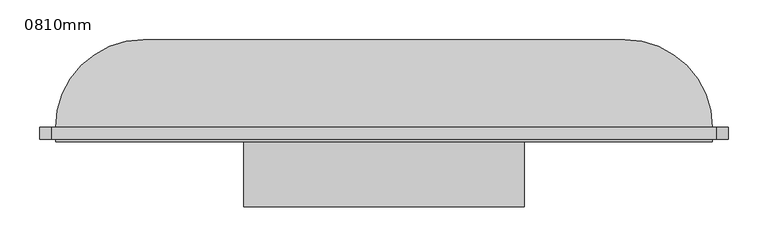
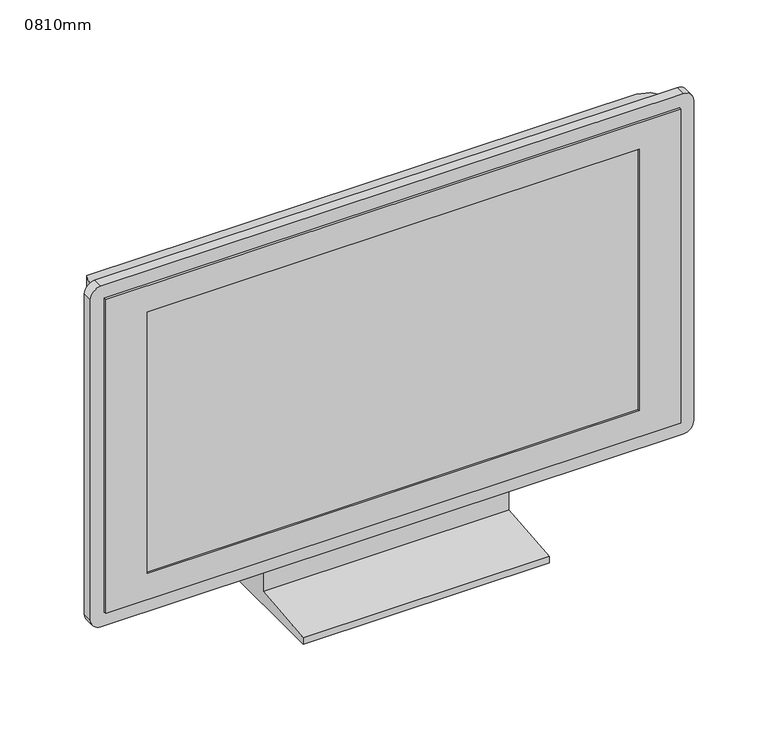
"""IFC4 building model written with IfcOpenShell, lengths in millimetres: furniture geometry, 0810mm."""

from ifc_helpers import new_model, si_unit, point, frame, frame_2d, origin, place, context, project, spatial, polyline, circle_curve, ellipse_curve, trimmed, segment, composite_curve, outline, extrude, faceted_brep, source, transform, mapped, element, save
from ifc_brep_helpers import plane_surface, cylinder_surface, advanced_brep


def furniture_0810mm_56245f3a(model_context):
    return source(origin(), model_context, "Body", "SolidModel", [
        extrude(outline(polyline([(-51.4613764, 80.0), (-1.4613764, 80.0), (48.5386236, 0.0), (-151.4613764, 0.0), (-151.4613764, 10.0), (-51.4613764, 20.0), (-51.4613764, 80.0)])), frame((-180.4346678, 0.0, 0.0), z_axis=(1.0, 0.0, 0.0), x_axis=(0.0, 1.0, 0.0)), (0.0, 0.0, 1.0), 352.9803073),
        faceted_brep([(409.0357931, -69.4613764, 557.1392838), (-416.9248214, -69.4613764, 557.1392838), (-416.9248214, -69.4613764, 80.0), (409.0357931, -69.4613764, 80.0), (-356.9248214, -69.4613764, 517.1392838), (349.0357931, -69.4613764, 517.1392838), (349.0357931, -69.4613764, 120.0), (-356.9248214, -69.4613764, 120.0), (409.0357931, -51.4613764, 557.1392838), (409.0357931, -51.4613764, 80.0), (-416.9248214, -51.4613764, 80.0), (-416.9248214, -51.4613764, 557.1392838), (-356.9248214, -66.4613764, 517.1392838), (-356.9248214, -66.4613764, 120.0), (349.0357931, -66.4613764, 120.0), (349.0357931, -66.4613764, 517.1392838)], [[[0, 1, 2, 3], [4, 5, 6, 7]], [[8, 9, 10, 11]], [[1, 0, 8, 11]], [[2, 1, 11, 10]], [[3, 2, 10, 9]], [[0, 3, 9, 8]], [[12, 13, 14, 15]], [[12, 15, 5, 4]], [[15, 14, 6, 5]], [[14, 13, 7, 6]], [[13, 12, 4, 7]]]),
        extrude(outline(composite_curve([segment(polyline([(577.1392838, 414.0357931), (577.1392838, -421.9248214)]), True, "CONTINUOUS"), segment(trimmed(circle_curve(frame_2d((562.1392838, -421.9248214)), 15.0), [point((577.1392838, -421.9248214))], [point((562.1392838, -436.9248214))], False, "CARTESIAN"), True, "CONTINUOUS"), segment(polyline([(562.1392838, -436.9248214), (75.0, -436.9248214)]), True, "CONTINUOUS"), segment(trimmed(circle_curve(frame_2d((75.0, -421.9248214)), 15.0), [point((75.0, -436.9248214))], [point((60.0, -421.9248214))], False, "CARTESIAN"), True, "CONTINUOUS"), segment(polyline([(60.0, -421.9248214), (60.0, 414.0357931)]), True, "CONTINUOUS"), segment(trimmed(circle_curve(frame_2d((75.0, 414.0357931)), 15.0), [point((60.0, 414.0357931))], [point((75.0, 429.0357931))], False, "CARTESIAN"), True, "CONTINUOUS"), segment(polyline([(75.0, 429.0357931), (562.1392838, 429.0357931)]), True, "CONTINUOUS"), segment(trimmed(circle_curve(frame_2d((562.1392838, 414.0357931)), 15.0), [point((562.1392838, 429.0357931))], [point((577.1392838, 414.0357931))], False, "CARTESIAN"), True, "CONTINUOUS")], self_intersect=False), holes=[polyline([(557.1392838, 409.0357931), (80.0, 409.0357931), (80.0, -416.9248214), (557.1392838, -416.9248214), (557.1392838, 409.0357931)])]), frame((0.0, -66.4613764, 0.0), z_axis=(0.0, 1.0, 0.0), x_axis=(0.0, 0.0, 1.0)), (0.0, 0.0, 1.0), 15.0),
        advanced_brep(
        [(-416.9248214, -51.4613764, 80.0), (409.0357931, -51.4613764, 80.0), (409.0357931, -51.4613764, 557.1392838), (-416.9248214, -51.4613764, 557.1392838), (299.0357931, 58.5386236, 80.0), (-306.9248214, 58.5386236, 80.0), (-306.9248214, 58.5386236, 447.1392838), (299.0357931, 58.5386236, 447.1392838)],
        [
            (0, 1),
            (1, 2),
            (2, 3),
            (3, 0),
            (4, 5),
            (5, 6),
            (6, 7),
            (7, 4),
            (0, 5, circle_curve(frame((-306.9248214, -51.4613764, 80.0), z_axis=(0.0, 0.0, -1.0), x_axis=(-1.0, 0.0, 0.0)), 110.0)),
            (4, 1, circle_curve(frame((299.0357931, -51.4613764, 80.0), z_axis=(0.0, 0.0, -1.0), x_axis=(1.0, 0.0, 0.0)), 110.0)),
            (7, 2, ellipse_curve(frame((299.0357931, -51.4613764, 447.1392838), z_axis=(0.7071067811865475, 0.0, -0.7071067811865475), x_axis=(0.7071067811865474, 0.0, 0.7071067811865476)), 155.5634919, 110.0)),
            (6, 3, ellipse_curve(frame((-306.9248214, -51.4613764, 447.1392838), z_axis=(0.7071067811865475, 0.0, 0.7071067811865475), x_axis=(-0.7071067811865476, 0.0, 0.7071067811865474)), 155.5634919, 110.0)),
        ],
        [
            plane_surface(frame((-416.9248214, -51.4613764, 557.1392838), z_axis=(0.0, -1.0, 0.0), x_axis=(-1.0, 0.0, 0.0))),
            plane_surface(frame((-416.9248214, 58.5386236, 557.1392838), z_axis=(0.0, 1.0, 0.0), x_axis=(1.0, 0.0, 0.0))),
            plane_surface(frame((-416.9248214, -51.4613764, 80.0), z_axis=(0.0, 0.0, -1.0), x_axis=(0.0, 1.0, 0.0))),
            cylinder_surface(frame((299.0357931, -51.4613764, 80.0), z_axis=(0.0, 0.0, 1.0), x_axis=(1.0, 0.0, 0.0)), 110.0),
            cylinder_surface(frame((409.0357931, -51.4613764, 447.1392838), z_axis=(-1.0, 0.0, 0.0), x_axis=(0.0, 0.0, 1.0)), 110.0),
            cylinder_surface(frame((-306.9248214, -51.4613764, 557.1392838), z_axis=(0.0, 0.0, -1.0), x_axis=(-1.0, 0.0, 0.0)), 110.0),
        ],
        [
            (0, [[1, 2, 3, 4]]),
            (1, [[5, 6, 7, 8]]),
            (2, [[-1, 9, -5, 10]]),
            (3, [[11, -2, -10, -8]]),
            (4, [[-11, -7, 12, -3]]),
            (5, [[-12, -6, -9, -4]]),
        ],
    ),
    ])


if __name__ == "__main__":
    model = new_model("IFC4")
    model_context = context("Model", 3, world=origin())
    ifc_project = project(units=[si_unit("LENGTHUNIT", "METRE", prefix="MILLI")], contexts=[model_context])
    site = spatial("IfcSite", under=ifc_project)
    building = spatial("IfcBuilding", under=site)
    placement = place(None, origin())
    furniture_0810mm_shape = furniture_0810mm_56245f3a(model_context)
    element("IfcFurniture", 1, ObjectType="0810mm", at=placement, inside=building, context=model_context, shape_type="MappedRepresentation", body=[
        mapped(furniture_0810mm_shape, transform((0.0, 0.0, 0.0), x_axis=(1.0, 0.0, 0.0), y_axis=(0.0, 1.0, 0.0), z_axis=(0.0, 0.0, 1.0))),
    ])
    save(model, "model.ifc")
